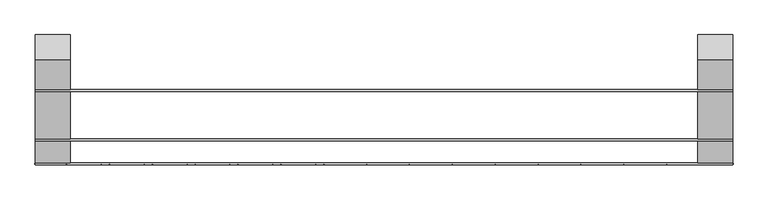
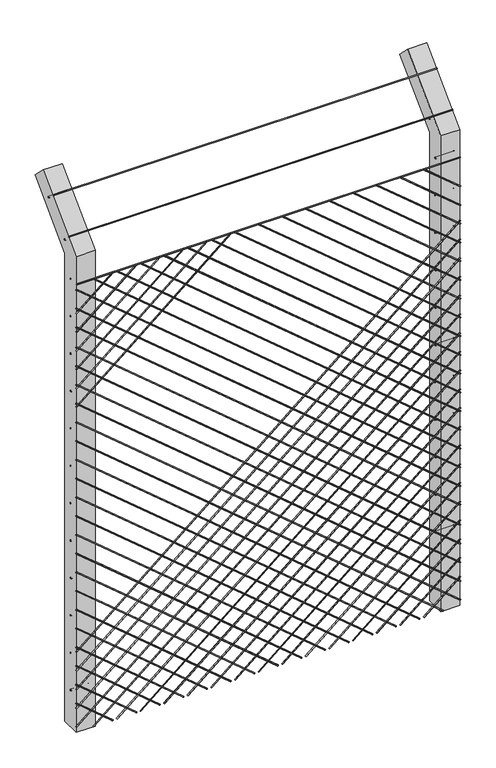
"""IFC4 building model written with IfcOpenShell, lengths in millimetres: proxy geometry."""

import ifcopenshell
import ifcopenshell.guid

model = None  # the IFC model being written
_history = None  # IfcOwnerHistory: only IFC2X3 demands one
_inside = {}  # id of a spatial element -> (the spatial element, [elements in it])
_under = {}  # id of a project, library or spatial element -> (it, [spatial elements below it])
_declared = {}  # id of a project -> (the project, [libraries it declares])
_typed = {}  # id of a type object -> (the type object, [elements of that type])
_made_of = {}  # id of a material, layer set ... -> (it, [elements and type objects made of it])


def new_model(schema):
    """Start an empty IFC model of exactly this schema.

    Asked for "IFC4X3", IfcOpenShell would pick the latest addendum, in which some entities
    have other attributes; the version numbers below select the first issue.
    IFC2X3 requires an IfcOwnerHistory on every rooted entity: one is made here for all.
    """
    global model, _history
    if schema == "IFC4X3":
        model = ifcopenshell.file(schema_version=(4, 3, 0, 0))
    else:
        model = ifcopenshell.file(schema=schema)
    _inside.clear()
    _under.clear()
    _declared.clear()
    _typed.clear()
    _made_of.clear()
    _history = None
    if model.schema == "IFC2X3":
        org = make("IfcOrganization", Name="unknown")
        user = make(
            "IfcPersonAndOrganization",
            ThePerson=make("IfcPerson", FamilyName="unknown"),
            TheOrganization=org,
        )
        app = make(
            "IfcApplication",
            ApplicationDeveloper=org,
            Version="unknown",
            ApplicationFullName="unknown",
            ApplicationIdentifier="unknown",
        )
        _history = make(
            "IfcOwnerHistory",
            OwningUser=user,
            OwningApplication=app,
            ChangeAction="ADDED",
            CreationDate=0,
        )
    return model


def make(cls, **values):
    """One entity of the class cls with the attributes given. An attribute that is None is left unset."""
    return model.create_entity(
        cls, **{name: value for name, value in values.items() if value is not None}
    )


def rooted(cls, **values):
    """An entity with a GlobalId (a new one), such as an element, a storey or a relation."""
    return make(cls, GlobalId=ifcopenshell.guid.new(), OwnerHistory=_history, **values)


def si_unit(unit_type, name, prefix=None):
    """IfcSIUnit, for example si_unit("LENGTHUNIT", "METRE", prefix="MILLI")."""
    return make("IfcSIUnit", UnitType=unit_type, Prefix=prefix, Name=name)


def assignment(units):
    """IfcUnitAssignment: the units of a project."""
    return None if units is None else make("IfcUnitAssignment", Units=units)


def point(xyz):
    """IfcCartesianPoint."""
    return None if xyz is None else make("IfcCartesianPoint", Coordinates=xyz)


def direction(xyz):
    """IfcDirection."""
    return None if xyz is None else make("IfcDirection", DirectionRatios=xyz)


def frame(location, z_axis=None, x_axis=None):
    """IfcAxis2Placement3D, a coordinate frame: its origin and axes. An axis left out is left unset."""
    return make(
        "IfcAxis2Placement3D",
        Location=point(location),
        Axis=direction(z_axis),
        RefDirection=direction(x_axis),
    )


def frame_2d(location, x_axis=None):
    """IfcAxis2Placement2D, a coordinate frame in the plane: its origin and x axis."""
    return make(
        "IfcAxis2Placement2D", Location=point(location), RefDirection=direction(x_axis)
    )


def origin():
    """The frame at (0, 0, 0) with its axes left unset."""
    return frame((0.0, 0.0, 0.0))


def origin_2d():
    """The frame at (0, 0) in the plane with its x axis left unset."""
    return frame_2d((0.0, 0.0))


def place(relative_to, where):
    """IfcLocalPlacement: puts the frame where relative to a parent placement (None: the world)."""
    return make(
        "IfcLocalPlacement", PlacementRelTo=relative_to, RelativePlacement=where
    )


def context(
    kind, dimensions, precision=None, world=None, true_north=None, identifier=None
):
    """IfcGeometricRepresentationContext, for example the 3D "Model" context."""
    return make(
        "IfcGeometricRepresentationContext",
        ContextIdentifier=identifier,
        ContextType=kind,
        CoordinateSpaceDimension=dimensions,
        Precision=precision,
        WorldCoordinateSystem=world,
        TrueNorth=true_north,
    )


def project(units=None, contexts=None):
    """IfcProject with its units and contexts."""
    return rooted(
        "IfcProject",
        Name="project",
        RepresentationContexts=contexts,
        UnitsInContext=assignment(units),
    )


def spatial(cls, under=None, at=None, **own):
    """A site, building, storey or space (cls), placed at a placement, below another one or the project."""
    s = rooted(cls, ObjectPlacement=at, **own)
    if under is not None:
        _under.setdefault(under.id(), (under, []))[1].append(s)
    return s


def polyline(points):
    """IfcPolyline through the points."""
    return make("IfcPolyline", Points=[point(p) for p in points])


def circle_curve(where, radius):
    """IfcCircle in the frame where."""
    return make("IfcCircle", Position=where, Radius=radius)


def trimmed(basis, trim1, trim2, sense, master):
    """IfcTrimmedCurve: the piece of a basis curve between two trims."""
    return make(
        "IfcTrimmedCurve",
        BasisCurve=basis,
        Trim1=trim1,
        Trim2=trim2,
        SenseAgreement=sense,
        MasterRepresentation=master,
    )


def segment(curve, same_sense, transition):
    """IfcCompositeCurveSegment."""
    return make(
        "IfcCompositeCurveSegment",
        Transition=transition,
        SameSense=same_sense,
        ParentCurve=curve,
    )


def composite_curve(segments, self_intersect=None):
    """IfcCompositeCurve: segments joined end to end."""
    return make("IfcCompositeCurve", Segments=segments, SelfIntersect=self_intersect)


def outline(outer, holes=None, kind="AREA"):
    """IfcArbitraryClosedProfileDef: a profile drawn as a closed curve; with holes, ...WithVoids."""
    if holes is None:
        return make("IfcArbitraryClosedProfileDef", ProfileType=kind, OuterCurve=outer)
    return make(
        "IfcArbitraryProfileDefWithVoids",
        ProfileType=kind,
        OuterCurve=outer,
        InnerCurves=holes,
    )


def extrude(swept, where, along, depth):
    """IfcExtrudedAreaSolid: the profile swept, set in the frame where, extruded along a direction by depth."""
    return make(
        "IfcExtrudedAreaSolid",
        SweptArea=swept,
        Position=where,
        ExtrudedDirection=direction(along),
        Depth=depth,
    )


def shape(context_of_items, identifier, shape_type, items):
    """IfcShapeRepresentation: the items that make up one representation, for example the "Body"."""
    return make(
        "IfcShapeRepresentation",
        ContextOfItems=context_of_items,
        RepresentationIdentifier=identifier,
        RepresentationType=shape_type,
        Items=items,
    )


def source(mapping_origin, context_of_items, identifier, shape_type, items):
    """IfcRepresentationMap: a shape defined once, which mapped items show again and again."""
    return make(
        "IfcRepresentationMap",
        MappingOrigin=mapping_origin,
        MappedRepresentation=shape(context_of_items, identifier, shape_type, items),
    )


def transform(
    local_origin,
    x_axis=None,
    y_axis=None,
    z_axis=None,
    scale=None,
    scale2=None,
    scale3=None,
    uniform=True,
):
    """IfcCartesianTransformationOperator3D, or its non-uniform kind. x_axis, y_axis, z_axis: its Axis1, 2, 3."""
    if uniform:
        return make(
            "IfcCartesianTransformationOperator3D",
            Axis1=direction(x_axis),
            Axis2=direction(y_axis),
            LocalOrigin=point(local_origin),
            Scale=scale,
            Axis3=direction(z_axis),
        )
    return make(
        "IfcCartesianTransformationOperator3DnonUniform",
        Axis1=direction(x_axis),
        Axis2=direction(y_axis),
        LocalOrigin=point(local_origin),
        Scale=scale,
        Axis3=direction(z_axis),
        Scale2=scale2,
        Scale3=scale3,
    )


def mapped(mapping_source, mapping_target):
    """IfcMappedItem: shows the shape of a source again, moved by a transform."""
    return make(
        "IfcMappedItem", MappingSource=mapping_source, MappingTarget=mapping_target
    )


def made_of(thing, what):
    """Note that an element or type object is made of a material, layer set ...; save() writes the relation."""
    if what is not None:
        _made_of.setdefault(what.id(), (what, []))[1].append(thing)
    return thing


def element(
    cls,
    number,
    at=None,
    inside=None,
    cuts=None,
    type_object=None,
    material=None,
    context=None,
    identifier="Body",
    shape_type=None,
    held_by="IfcProductDefinitionShape",
    body=None,
    shapes=None,
    **own,
):
    """One element of the class cls, such as IfcWall. Its Tag is "e" and its number.

    at: its placement. inside: the storey or other place that contains it. cuts: it is an
    opening in that element (IfcRelVoidsElement). A single representation is given by context,
    identifier, shape_type and body (its items); several are given by shapes. held_by: the class
    of the entity that holds the representations. save() writes the other relations.
    """
    e = rooted(cls, Tag="e%d" % number, ObjectPlacement=at, **own)
    if body is not None:
        shapes = [shape(context, identifier, shape_type, body)]
    if shapes is not None:
        e.Representation = make(held_by, Representations=shapes)
    if inside is not None:
        _inside.setdefault(inside.id(), (inside, []))[1].append(e)
    if cuts is not None:
        rooted(
            "IfcRelVoidsElement", RelatingBuildingElement=cuts, RelatedOpeningElement=e
        )
    if type_object is not None:
        _typed.setdefault(type_object.id(), (type_object, []))[1].append(e)
    return made_of(e, material)


def aggregate(whole, parts):
    """IfcRelAggregates: a whole, such as a stair, and the parts it consists of."""
    return rooted("IfcRelAggregates", RelatingObject=whole, RelatedObjects=parts)


def save(model, path):
    """Write the relations noted so far, then the file.

    IfcRelAggregates (storeys below a building ...), IfcRelContainedInSpatialStructure (elements
    in a storey), IfcRelDefinesByType, IfcRelAssociatesMaterial and IfcRelDeclares: one each for
    every whole, place, type object, material and project.
    """
    for whole, parts in _under.values():
        aggregate(whole, parts)
    for where, things in _inside.values():
        rooted(
            "IfcRelContainedInSpatialStructure",
            RelatedElements=things,
            RelatingStructure=where,
        )
    for kind, things in _typed.values():
        rooted("IfcRelDefinesByType", RelatedObjects=things, RelatingType=kind)
    for what, things in _made_of.values():
        rooted("IfcRelAssociatesMaterial", RelatedObjects=things, RelatingMaterial=what)
    for by, libraries in _declared.values():
        rooted("IfcRelDeclares", RelatingContext=by, RelatedDefinitions=libraries)
    model.write(path)


def generic_models_3b00390c(model_context):
    return source(origin(), model_context, "Body", "SweptSolid", [
        extrude(outline(polyline([(-50.0, 0.0), (-50.0, 2620.7106781), (247.4873734, 2918.1980515), (318.1980515, 2847.4873734), (50.0, 2579.2893219), (50.0, 0.0), (-50.0, 0.0)]), holes=[composite_curve([segment(trimmed(circle_curve(frame_2d((0.0, 203.0)), 3.0), [point((-3.0, 203.0))], [point((3.0, 203.0))], True, "CARTESIAN"), True, "CONTINUOUS"), segment(trimmed(circle_curve(frame_2d((0.0, 203.0)), 3.0), [point((3.0, 203.0))], [point((-3.0, 203.0))], True, "CARTESIAN"), True, "CONTINUOUS")], self_intersect=False), composite_curve([segment(trimmed(circle_curve(frame_2d((0.0, 409.0)), 3.0), [point((-3.0, 409.0))], [point((3.0, 409.0))], True, "CARTESIAN"), True, "CONTINUOUS"), segment(trimmed(circle_curve(frame_2d((0.0, 409.0)), 3.0), [point((3.0, 409.0))], [point((-3.0, 409.0))], True, "CARTESIAN"), True, "CONTINUOUS")], self_intersect=False), composite_curve([segment(trimmed(circle_curve(frame_2d((0.0, 615.0)), 3.0), [point((-3.0, 615.0))], [point((3.0, 615.0))], True, "CARTESIAN"), True, "CONTINUOUS"), segment(trimmed(circle_curve(frame_2d((0.0, 615.0)), 3.0), [point((3.0, 615.0))], [point((-3.0, 615.0))], True, "CARTESIAN"), True, "CONTINUOUS")], self_intersect=False), composite_curve([segment(trimmed(circle_curve(frame_2d((0.0, 821.0)), 3.0), [point((-3.0, 821.0))], [point((3.0, 821.0))], True, "CARTESIAN"), True, "CONTINUOUS"), segment(trimmed(circle_curve(frame_2d((0.0, 821.0)), 3.0), [point((3.0, 821.0))], [point((-3.0, 821.0))], True, "CARTESIAN"), True, "CONTINUOUS")], self_intersect=False), composite_curve([segment(trimmed(circle_curve(frame_2d((0.0, 1027.0)), 3.0), [point((-3.0, 1027.0))], [point((3.0, 1027.0))], True, "CARTESIAN"), True, "CONTINUOUS"), segment(trimmed(circle_curve(frame_2d((0.0, 1027.0)), 3.0), [point((3.0, 1027.0))], [point((-3.0, 1027.0))], True, "CARTESIAN"), True, "CONTINUOUS")], self_intersect=False), composite_curve([segment(trimmed(circle_curve(frame_2d((0.0, 1233.0)), 3.0), [point((-3.0, 1233.0))], [point((3.0, 1233.0))], True, "CARTESIAN"), True, "CONTINUOUS"), segment(trimmed(circle_curve(frame_2d((0.0, 1233.0)), 3.0), [point((3.0, 1233.0))], [point((-3.0, 1233.0))], True, "CARTESIAN"), True, "CONTINUOUS")], self_intersect=False), composite_curve([segment(trimmed(circle_curve(frame_2d((0.0, 1439.0)), 3.0), [point((-3.0, 1439.0))], [point((3.0, 1439.0))], True, "CARTESIAN"), True, "CONTINUOUS"), segment(trimmed(circle_curve(frame_2d((0.0, 1439.0)), 3.0), [point((3.0, 1439.0))], [point((-3.0, 1439.0))], True, "CARTESIAN"), True, "CONTINUOUS")], self_intersect=False), composite_curve([segment(trimmed(circle_curve(frame_2d((0.0, 1645.0)), 3.0), [point((-3.0, 1645.0))], [point((3.0, 1645.0))], True, "CARTESIAN"), True, "CONTINUOUS"), segment(trimmed(circle_curve(frame_2d((0.0, 1645.0)), 3.0), [point((3.0, 1645.0))], [point((-3.0, 1645.0))], True, "CARTESIAN"), True, "CONTINUOUS")], self_intersect=False), composite_curve([segment(trimmed(circle_curve(frame_2d((0.0, 1851.0)), 3.0), [point((-3.0, 1851.0))], [point((3.0, 1851.0))], True, "CARTESIAN"), True, "CONTINUOUS"), segment(trimmed(circle_curve(frame_2d((0.0, 1851.0)), 3.0), [point((3.0, 1851.0))], [point((-3.0, 1851.0))], True, "CARTESIAN"), True, "CONTINUOUS")], self_intersect=False), composite_curve([segment(trimmed(circle_curve(frame_2d((0.0, 2057.0)), 3.0), [point((-3.0, 2057.0))], [point((3.0, 2057.0))], True, "CARTESIAN"), True, "CONTINUOUS"), segment(trimmed(circle_curve(frame_2d((0.0, 2057.0)), 3.0), [point((3.0, 2057.0))], [point((-3.0, 2057.0))], True, "CARTESIAN"), True, "CONTINUOUS")], self_intersect=False), composite_curve([segment(trimmed(circle_curve(frame_2d((0.0, 2263.0)), 3.0), [point((-3.0, 2263.0))], [point((3.0, 2263.0))], True, "CARTESIAN"), True, "CONTINUOUS"), segment(trimmed(circle_curve(frame_2d((0.0, 2263.0)), 3.0), [point((3.0, 2263.0))], [point((-3.0, 2263.0))], True, "CARTESIAN"), True, "CONTINUOUS")], self_intersect=False), composite_curve([segment(trimmed(circle_curve(frame_2d((0.0, 2469.0)), 3.0), [point((-3.0, 2469.0))], [point((3.0, 2469.0))], True, "CARTESIAN"), True, "CONTINUOUS"), segment(trimmed(circle_curve(frame_2d((0.0, 2469.0)), 3.0), [point((3.0, 2469.0))], [point((-3.0, 2469.0))], True, "CARTESIAN"), True, "CONTINUOUS")], self_intersect=False), composite_curve([segment(trimmed(circle_curve(frame_2d((53.0330086, 2653.0330086)), 3.0), [point((50.0330086, 2653.0330086))], [point((56.0330086, 2653.0330086))], True, "CARTESIAN"), True, "CONTINUOUS"), segment(trimmed(circle_curve(frame_2d((53.0330086, 2653.0330086)), 3.0), [point((56.0330086, 2653.0330086))], [point((50.0330086, 2653.0330086))], True, "CARTESIAN"), True, "CONTINUOUS")], self_intersect=False), composite_curve([segment(trimmed(circle_curve(frame_2d((198.6970055, 2798.6970055)), 3.0), [point((195.6970055, 2798.6970055))], [point((201.6970055, 2798.6970055))], True, "CARTESIAN"), True, "CONTINUOUS"), segment(trimmed(circle_curve(frame_2d((198.6970055, 2798.6970055)), 3.0), [point((201.6970055, 2798.6970055))], [point((195.6970055, 2798.6970055))], True, "CARTESIAN"), True, "CONTINUOUS")], self_intersect=False)]), frame((900.0, 0.0, 0.0), z_axis=(1.0, 0.0, 0.0), x_axis=(0.0, 1.0, 0.0)), (0.0, 0.0, 1.0), 100.0),
        extrude(outline(polyline([(-50.0, 0.0), (-50.0, 2620.7106781), (247.4873734, 2918.1980515), (318.1980515, 2847.4873734), (50.0, 2579.2893219), (50.0, 0.0), (-50.0, 0.0)]), holes=[composite_curve([segment(trimmed(circle_curve(frame_2d((0.0, 203.0)), 3.0), [point((-3.0, 203.0))], [point((3.0, 203.0))], True, "CARTESIAN"), True, "CONTINUOUS"), segment(trimmed(circle_curve(frame_2d((0.0, 203.0)), 3.0), [point((3.0, 203.0))], [point((-3.0, 203.0))], True, "CARTESIAN"), True, "CONTINUOUS")], self_intersect=False), composite_curve([segment(trimmed(circle_curve(frame_2d((0.0, 409.0)), 3.0), [point((-3.0, 409.0))], [point((3.0, 409.0))], True, "CARTESIAN"), True, "CONTINUOUS"), segment(trimmed(circle_curve(frame_2d((0.0, 409.0)), 3.0), [point((3.0, 409.0))], [point((-3.0, 409.0))], True, "CARTESIAN"), True, "CONTINUOUS")], self_intersect=False), composite_curve([segment(trimmed(circle_curve(frame_2d((0.0, 615.0)), 3.0), [point((-3.0, 615.0))], [point((3.0, 615.0))], True, "CARTESIAN"), True, "CONTINUOUS"), segment(trimmed(circle_curve(frame_2d((0.0, 615.0)), 3.0), [point((3.0, 615.0))], [point((-3.0, 615.0))], True, "CARTESIAN"), True, "CONTINUOUS")], self_intersect=False), composite_curve([segment(trimmed(circle_curve(frame_2d((0.0, 821.0)), 3.0), [point((-3.0, 821.0))], [point((3.0, 821.0))], True, "CARTESIAN"), True, "CONTINUOUS"), segment(trimmed(circle_curve(frame_2d((0.0, 821.0)), 3.0), [point((3.0, 821.0))], [point((-3.0, 821.0))], True, "CARTESIAN"), True, "CONTINUOUS")], self_intersect=False), composite_curve([segment(trimmed(circle_curve(frame_2d((0.0, 1027.0)), 3.0), [point((-3.0, 1027.0))], [point((3.0, 1027.0))], True, "CARTESIAN"), True, "CONTINUOUS"), segment(trimmed(circle_curve(frame_2d((0.0, 1027.0)), 3.0), [point((3.0, 1027.0))], [point((-3.0, 1027.0))], True, "CARTESIAN"), True, "CONTINUOUS")], self_intersect=False), composite_curve([segment(trimmed(circle_curve(frame_2d((0.0, 1233.0)), 3.0), [point((-3.0, 1233.0))], [point((3.0, 1233.0))], True, "CARTESIAN"), True, "CONTINUOUS"), segment(trimmed(circle_curve(frame_2d((0.0, 1233.0)), 3.0), [point((3.0, 1233.0))], [point((-3.0, 1233.0))], True, "CARTESIAN"), True, "CONTINUOUS")], self_intersect=False), composite_curve([segment(trimmed(circle_curve(frame_2d((0.0, 1439.0)), 3.0), [point((-3.0, 1439.0))], [point((3.0, 1439.0))], True, "CARTESIAN"), True, "CONTINUOUS"), segment(trimmed(circle_curve(frame_2d((0.0, 1439.0)), 3.0), [point((3.0, 1439.0))], [point((-3.0, 1439.0))], True, "CARTESIAN"), True, "CONTINUOUS")], self_intersect=False), composite_curve([segment(trimmed(circle_curve(frame_2d((0.0, 1645.0)), 3.0), [point((-3.0, 1645.0))], [point((3.0, 1645.0))], True, "CARTESIAN"), True, "CONTINUOUS"), segment(trimmed(circle_curve(frame_2d((0.0, 1645.0)), 3.0), [point((3.0, 1645.0))], [point((-3.0, 1645.0))], True, "CARTESIAN"), True, "CONTINUOUS")], self_intersect=False), composite_curve([segment(trimmed(circle_curve(frame_2d((0.0, 1851.0)), 3.0), [point((-3.0, 1851.0))], [point((3.0, 1851.0))], True, "CARTESIAN"), True, "CONTINUOUS"), segment(trimmed(circle_curve(frame_2d((0.0, 1851.0)), 3.0), [point((3.0, 1851.0))], [point((-3.0, 1851.0))], True, "CARTESIAN"), True, "CONTINUOUS")], self_intersect=False), composite_curve([segment(trimmed(circle_curve(frame_2d((0.0, 2057.0)), 3.0), [point((-3.0, 2057.0))], [point((3.0, 2057.0))], True, "CARTESIAN"), True, "CONTINUOUS"), segment(trimmed(circle_curve(frame_2d((0.0, 2057.0)), 3.0), [point((3.0, 2057.0))], [point((-3.0, 2057.0))], True, "CARTESIAN"), True, "CONTINUOUS")], self_intersect=False), composite_curve([segment(trimmed(circle_curve(frame_2d((0.0, 2263.0)), 3.0), [point((-3.0, 2263.0))], [point((3.0, 2263.0))], True, "CARTESIAN"), True, "CONTINUOUS"), segment(trimmed(circle_curve(frame_2d((0.0, 2263.0)), 3.0), [point((3.0, 2263.0))], [point((-3.0, 2263.0))], True, "CARTESIAN"), True, "CONTINUOUS")], self_intersect=False), composite_curve([segment(trimmed(circle_curve(frame_2d((0.0, 2469.0)), 3.0), [point((-3.0, 2469.0))], [point((3.0, 2469.0))], True, "CARTESIAN"), True, "CONTINUOUS"), segment(trimmed(circle_curve(frame_2d((0.0, 2469.0)), 3.0), [point((3.0, 2469.0))], [point((-3.0, 2469.0))], True, "CARTESIAN"), True, "CONTINUOUS")], self_intersect=False), composite_curve([segment(trimmed(circle_curve(frame_2d((53.0330086, 2653.0330086)), 3.0), [point((50.0330086, 2653.0330086))], [point((56.0330086, 2653.0330086))], True, "CARTESIAN"), True, "CONTINUOUS"), segment(trimmed(circle_curve(frame_2d((53.0330086, 2653.0330086)), 3.0), [point((56.0330086, 2653.0330086))], [point((50.0330086, 2653.0330086))], True, "CARTESIAN"), True, "CONTINUOUS")], self_intersect=False), composite_curve([segment(trimmed(circle_curve(frame_2d((198.6970055, 2798.6970055)), 3.0), [point((195.6970055, 2798.6970055))], [point((201.6970055, 2798.6970055))], True, "CARTESIAN"), True, "CONTINUOUS"), segment(trimmed(circle_curve(frame_2d((198.6970055, 2798.6970055)), 3.0), [point((201.6970055, 2798.6970055))], [point((195.6970055, 2798.6970055))], True, "CARTESIAN"), True, "CONTINUOUS")], self_intersect=False)]), frame((-1000.0, 0.0, 0.0), z_axis=(1.0, 0.0, 0.0), x_axis=(0.0, 1.0, 0.0)), (0.0, 0.0, 1.0), 100.0),
        extrude(outline(composite_curve([segment(trimmed(circle_curve(frame_2d((157.7465688, 2831.8580153)), 2.5), [point((160.2465688, 2831.8580153))], [point((155.2465688, 2831.8580153))], False, "CARTESIAN"), True, "CONTINUOUS"), segment(trimmed(circle_curve(frame_2d((157.7465688, 2831.8580153)), 2.5), [point((155.2465688, 2831.8580153))], [point((160.2465688, 2831.8580153))], False, "CARTESIAN"), True, "CONTINUOUS")], self_intersect=False)), frame((-1000.0, 0.0, 0.0), z_axis=(1.0, 0.0, 0.0), x_axis=(0.0, 1.0, 0.0)), (0.0, 0.0, 1.0), 2000.0),
        extrude(outline(composite_curve([segment(trimmed(circle_curve(frame_2d((15.9126048, 2690.1534123)), 2.5), [point((18.4126048, 2690.1534123))], [point((13.4126048, 2690.1534123))], False, "CARTESIAN"), True, "CONTINUOUS"), segment(trimmed(circle_curve(frame_2d((15.9126048, 2690.1534123)), 2.5), [point((13.4126048, 2690.1534123))], [point((18.4126048, 2690.1534123))], False, "CARTESIAN"), True, "CONTINUOUS")], self_intersect=False)), frame((-1000.0, 0.0, 0.0), z_axis=(1.0, 0.0, 0.0), x_axis=(0.0, 1.0, 0.0)), (0.0, 0.0, 1.0), 2000.0),
        extrude(outline(composite_curve([segment(trimmed(circle_curve(frame_2d((-52.5, 2469.0)), 2.5), [point((-50.0, 2469.0))], [point((-55.0, 2469.0))], False, "CARTESIAN"), True, "CONTINUOUS"), segment(trimmed(circle_curve(frame_2d((-52.5, 2469.0)), 2.5), [point((-55.0, 2469.0))], [point((-50.0, 2469.0))], False, "CARTESIAN"), True, "CONTINUOUS")], self_intersect=False)), frame((-1000.0, 0.0, 0.0), z_axis=(1.0, 0.0, 0.0), x_axis=(0.0, 1.0, 0.0)), (0.0, 0.0, 1.0), 2000.0),
        extrude(outline(composite_curve([segment(trimmed(circle_curve(origin_2d(), 2.5), [point((2.5, 0.0))], [point((-2.5, 0.0))], False, "CARTESIAN"), True, "CONTINUOUS"), segment(trimmed(circle_curve(origin_2d(), 2.5), [point((-2.5, 0.0))], [point((2.5, 0.0))], False, "CARTESIAN"), True, "CONTINUOUS")], self_intersect=False)), frame((-810.5977985, -52.5, 2.5679403), z_axis=(-0.7660444431189724, 0.0, 0.6427876096865462), x_axis=(0.0, 1.0, 0.0)), (0.0, 0.0, 1.0), 247.2470145),
        extrude(outline(composite_curve([segment(trimmed(circle_curve(origin_2d(), 2.5), [point((2.5, 0.0))], [point((-2.5, 0.0))], False, "CARTESIAN"), True, "CONTINUOUS"), segment(trimmed(circle_curve(origin_2d(), 2.5), [point((-2.5, 0.0))], [point((2.5, 0.0))], False, "CARTESIAN"), True, "CONTINUOUS")], self_intersect=False)), frame((-687.5889829, -52.5, 2.5679403), z_axis=(-0.7660444431189724, 0.0, 0.6427876096865462), x_axis=(0.0, 1.0, 0.0)), (0.0, 0.0, 1.0), 407.8236189),
        extrude(outline(composite_curve([segment(trimmed(circle_curve(origin_2d(), 2.5), [point((2.5, 0.0))], [point((-2.5, 0.0))], False, "CARTESIAN"), True, "CONTINUOUS"), segment(trimmed(circle_curve(origin_2d(), 2.5), [point((-2.5, 0.0))], [point((2.5, 0.0))], False, "CARTESIAN"), True, "CONTINUOUS")], self_intersect=False)), frame((-564.5801674, -52.5, 2.5679403), z_axis=(-0.7660444431189724, 0.0, 0.6427876096865462), x_axis=(0.0, 1.0, 0.0)), (0.0, 0.0, 1.0), 568.4002234),
        extrude(outline(composite_curve([segment(trimmed(circle_curve(origin_2d(), 2.5), [point((2.5, 0.0))], [point((-2.5, 0.0))], False, "CARTESIAN"), True, "CONTINUOUS"), segment(trimmed(circle_curve(origin_2d(), 2.5), [point((-2.5, 0.0))], [point((2.5, 0.0))], False, "CARTESIAN"), True, "CONTINUOUS")], self_intersect=False)), frame((-441.5713519, -52.5, 2.5679403), z_axis=(-0.7660444431189724, 0.0, 0.6427876096865462), x_axis=(0.0, 1.0, 0.0)), (0.0, 0.0, 1.0), 728.9768278),
        extrude(outline(composite_curve([segment(trimmed(circle_curve(origin_2d(), 2.5), [point((2.5, 0.0))], [point((-2.5, 0.0))], False, "CARTESIAN"), True, "CONTINUOUS"), segment(trimmed(circle_curve(origin_2d(), 2.5), [point((-2.5, 0.0))], [point((2.5, 0.0))], False, "CARTESIAN"), True, "CONTINUOUS")], self_intersect=False)), frame((-318.5625364, -52.5, 2.5679403), z_axis=(-0.7660444431189724, 0.0, 0.6427876096865462), x_axis=(0.0, 1.0, 0.0)), (0.0, 0.0, 1.0), 889.5534322),
        extrude(outline(composite_curve([segment(trimmed(circle_curve(origin_2d(), 2.5), [point((2.5, 0.0))], [point((-2.5, 0.0))], False, "CARTESIAN"), True, "CONTINUOUS"), segment(trimmed(circle_curve(origin_2d(), 2.5), [point((-2.5, 0.0))], [point((2.5, 0.0))], False, "CARTESIAN"), True, "CONTINUOUS")], self_intersect=False)), frame((-195.5537209, -52.5, 2.5679403), z_axis=(-0.7660444431189724, 0.0, 0.6427876096865462), x_axis=(0.0, 1.0, 0.0)), (0.0, 0.0, 1.0), 1050.1300366),
        extrude(outline(composite_curve([segment(trimmed(circle_curve(origin_2d(), 2.5), [point((2.5, 0.0))], [point((-2.5, 0.0))], False, "CARTESIAN"), True, "CONTINUOUS"), segment(trimmed(circle_curve(origin_2d(), 2.5), [point((-2.5, 0.0))], [point((2.5, 0.0))], False, "CARTESIAN"), True, "CONTINUOUS")], self_intersect=False)), frame((-72.5449054, -52.5, 2.5679403), z_axis=(-0.7660444431189724, 0.0, 0.6427876096865462), x_axis=(0.0, 1.0, 0.0)), (0.0, 0.0, 1.0), 1210.7066411),
        extrude(outline(composite_curve([segment(trimmed(circle_curve(origin_2d(), 2.5), [point((2.5, 0.0))], [point((-2.5, 0.0))], False, "CARTESIAN"), True, "CONTINUOUS"), segment(trimmed(circle_curve(origin_2d(), 2.5), [point((-2.5, 0.0))], [point((2.5, 0.0))], False, "CARTESIAN"), True, "CONTINUOUS")], self_intersect=False)), frame((50.4639102, -52.5, 2.5679403), z_axis=(-0.7660444431189724, 0.0, 0.6427876096865462), x_axis=(0.0, 1.0, 0.0)), (0.0, 0.0, 1.0), 1371.2832455),
        extrude(outline(composite_curve([segment(trimmed(circle_curve(origin_2d(), 2.5), [point((2.5, 0.0))], [point((-2.5, 0.0))], False, "CARTESIAN"), True, "CONTINUOUS"), segment(trimmed(circle_curve(origin_2d(), 2.5), [point((-2.5, 0.0))], [point((2.5, 0.0))], False, "CARTESIAN"), True, "CONTINUOUS")], self_intersect=False)), frame((173.4727257, -52.5, 2.5679403), z_axis=(-0.7660444431189724, 0.0, 0.6427876096865462), x_axis=(0.0, 1.0, 0.0)), (0.0, 0.0, 1.0), 1531.8598499),
        extrude(outline(composite_curve([segment(trimmed(circle_curve(origin_2d(), 2.5), [point((2.5, 0.0))], [point((-2.5, 0.0))], False, "CARTESIAN"), True, "CONTINUOUS"), segment(trimmed(circle_curve(origin_2d(), 2.5), [point((-2.5, 0.0))], [point((2.5, 0.0))], False, "CARTESIAN"), True, "CONTINUOUS")], self_intersect=False)), frame((296.4815412, -52.5, 2.5679403), z_axis=(-0.7660444431189724, 0.0, 0.6427876096865462), x_axis=(0.0, 1.0, 0.0)), (0.0, 0.0, 1.0), 1692.4364543),
        extrude(outline(composite_curve([segment(trimmed(circle_curve(origin_2d(), 2.5), [point((2.5, 0.0))], [point((-2.5, 0.0))], False, "CARTESIAN"), True, "CONTINUOUS"), segment(trimmed(circle_curve(origin_2d(), 2.5), [point((-2.5, 0.0))], [point((2.5, 0.0))], False, "CARTESIAN"), True, "CONTINUOUS")], self_intersect=False)), frame((419.4903567, -52.5, 2.5679403), z_axis=(-0.7660444431189724, 0.0, 0.6427876096865462), x_axis=(0.0, 1.0, 0.0)), (0.0, 0.0, 1.0), 1853.0130588),
        extrude(outline(composite_curve([segment(trimmed(circle_curve(origin_2d(), 2.5), [point((2.5, 0.0))], [point((-2.5, 0.0))], False, "CARTESIAN"), True, "CONTINUOUS"), segment(trimmed(circle_curve(origin_2d(), 2.5), [point((-2.5, 0.0))], [point((2.5, 0.0))], False, "CARTESIAN"), True, "CONTINUOUS")], self_intersect=False)), frame((542.4991722, -52.5, 2.5679403), z_axis=(-0.7660444431189724, 0.0, 0.6427876096865462), x_axis=(0.0, 1.0, 0.0)), (0.0, 0.0, 1.0), 2013.5896632),
        extrude(outline(composite_curve([segment(trimmed(circle_curve(origin_2d(), 2.5), [point((2.5, 0.0))], [point((-2.5, 0.0))], False, "CARTESIAN"), True, "CONTINUOUS"), segment(trimmed(circle_curve(origin_2d(), 2.5), [point((-2.5, 0.0))], [point((2.5, 0.0))], False, "CARTESIAN"), True, "CONTINUOUS")], self_intersect=False)), frame((665.5079877, -52.5, 2.5679403), z_axis=(-0.7660444431189724, 0.0, 0.6427876096865462), x_axis=(0.0, 1.0, 0.0)), (0.0, 0.0, 1.0), 2174.1662676),
        extrude(outline(composite_curve([segment(trimmed(circle_curve(origin_2d(), 2.5), [point((2.5, 0.0))], [point((-2.5, 0.0))], False, "CARTESIAN"), True, "CONTINUOUS"), segment(trimmed(circle_curve(origin_2d(), 2.5), [point((-2.5, 0.0))], [point((2.5, 0.0))], False, "CARTESIAN"), True, "CONTINUOUS")], self_intersect=False)), frame((788.5168032, -52.5, 2.5679403), z_axis=(-0.7660444431189724, 0.0, 0.6427876096865462), x_axis=(0.0, 1.0, 0.0)), (0.0, 0.0, 1.0), 2334.742872),
        extrude(outline(composite_curve([segment(trimmed(circle_curve(origin_2d(), 2.5), [point((2.5, 0.0))], [point((-2.5, 0.0))], False, "CARTESIAN"), True, "CONTINUOUS"), segment(trimmed(circle_curve(origin_2d(), 2.5), [point((-2.5, 0.0))], [point((2.5, 0.0))], False, "CARTESIAN"), True, "CONTINUOUS")], self_intersect=False)), frame((911.5256188, -52.5, 2.5679403), z_axis=(-0.7660444431189724, 0.0, 0.6427876096865462), x_axis=(0.0, 1.0, 0.0)), (0.0, 0.0, 1.0), 2495.3194765),
        extrude(outline(composite_curve([segment(trimmed(circle_curve(origin_2d(), 2.5), [point((2.5, 0.0))], [point((-2.5, 0.0))], False, "CARTESIAN"), True, "CONTINUOUS"), segment(trimmed(circle_curve(origin_2d(), 2.5), [point((-2.5, 0.0))], [point((2.5, 0.0))], False, "CARTESIAN"), True, "CONTINUOUS")], self_intersect=False)), frame((1000.0, -52.5, 31.5457714), z_axis=(-0.7660444431189724, 0.0, 0.6427876096865462), x_axis=(0.0, 1.0, 0.0)), (0.0, 0.0, 1.0), 2610.8145787),
        extrude(outline(composite_curve([segment(trimmed(circle_curve(origin_2d(), 2.5), [point((2.5, 0.0))], [point((-2.5, 0.0))], False, "CARTESIAN"), True, "CONTINUOUS"), segment(trimmed(circle_curve(origin_2d(), 2.5), [point((-2.5, 0.0))], [point((2.5, 0.0))], False, "CARTESIAN"), True, "CONTINUOUS")], self_intersect=False)), frame((1000.0, -52.5, 134.7624231), z_axis=(-0.7660444431189724, 0.0, 0.6427876096865462), x_axis=(0.0, 1.0, 0.0)), (0.0, 0.0, 1.0), 2610.8145787),
        extrude(outline(composite_curve([segment(trimmed(circle_curve(origin_2d(), 2.5), [point((2.5, 0.0))], [point((-2.5, 0.0))], False, "CARTESIAN"), True, "CONTINUOUS"), segment(trimmed(circle_curve(origin_2d(), 2.5), [point((-2.5, 0.0))], [point((2.5, 0.0))], False, "CARTESIAN"), True, "CONTINUOUS")], self_intersect=False)), frame((1000.0, -52.5, 237.9790749), z_axis=(-0.7660444431189724, 0.0, 0.6427876096865462), x_axis=(0.0, 1.0, 0.0)), (0.0, 0.0, 1.0), 2610.8145787),
        extrude(outline(composite_curve([segment(trimmed(circle_curve(origin_2d(), 2.5), [point((2.5, 0.0))], [point((-2.5, 0.0))], False, "CARTESIAN"), True, "CONTINUOUS"), segment(trimmed(circle_curve(origin_2d(), 2.5), [point((-2.5, 0.0))], [point((2.5, 0.0))], False, "CARTESIAN"), True, "CONTINUOUS")], self_intersect=False)), frame((1000.0, -52.5, 341.1957266), z_axis=(-0.7660444431189724, 0.0, 0.6427876096865462), x_axis=(0.0, 1.0, 0.0)), (0.0, 0.0, 1.0), 2610.8145787),
        extrude(outline(composite_curve([segment(trimmed(circle_curve(origin_2d(), 2.5), [point((2.5, 0.0))], [point((-2.5, 0.0))], False, "CARTESIAN"), True, "CONTINUOUS"), segment(trimmed(circle_curve(origin_2d(), 2.5), [point((-2.5, 0.0))], [point((2.5, 0.0))], False, "CARTESIAN"), True, "CONTINUOUS")], self_intersect=False)), frame((1000.0, -52.5, 444.4123783), z_axis=(-0.7660444431189724, 0.0, 0.6427876096865462), x_axis=(0.0, 1.0, 0.0)), (0.0, 0.0, 1.0), 2610.8145787),
        extrude(outline(composite_curve([segment(trimmed(circle_curve(origin_2d(), 2.5), [point((2.5, 0.0))], [point((-2.5, 0.0))], False, "CARTESIAN"), True, "CONTINUOUS"), segment(trimmed(circle_curve(origin_2d(), 2.5), [point((-2.5, 0.0))], [point((2.5, 0.0))], False, "CARTESIAN"), True, "CONTINUOUS")], self_intersect=False)), frame((1000.0, -52.5, 2309.6406229), z_axis=(-0.7660444431189722, 0.0, 0.6427876096865464), x_axis=(0.0, 1.0, 0.0)), (0.0, 0.0, 1.0), 247.2470145),
        extrude(outline(composite_curve([segment(trimmed(circle_curve(origin_2d(), 2.5), [point((2.5, 0.0))], [point((-2.5, 0.0))], False, "CARTESIAN"), True, "CONTINUOUS"), segment(trimmed(circle_curve(origin_2d(), 2.5), [point((-2.5, 0.0))], [point((2.5, 0.0))], False, "CARTESIAN"), True, "CONTINUOUS")], self_intersect=False)), frame((1000.0, -52.5, 2206.4239712), z_axis=(-0.7660444431189722, 0.0, 0.6427876096865464), x_axis=(0.0, 1.0, 0.0)), (0.0, 0.0, 1.0), 407.8236189),
        extrude(outline(composite_curve([segment(trimmed(circle_curve(origin_2d(), 2.5), [point((2.5, 0.0))], [point((-2.5, 0.0))], False, "CARTESIAN"), True, "CONTINUOUS"), segment(trimmed(circle_curve(origin_2d(), 2.5), [point((-2.5, 0.0))], [point((2.5, 0.0))], False, "CARTESIAN"), True, "CONTINUOUS")], self_intersect=False)), frame((1000.0, -52.5, 2103.2073194), z_axis=(-0.7660444431189722, 0.0, 0.6427876096865464), x_axis=(0.0, 1.0, 0.0)), (0.0, 0.0, 1.0), 568.4002234),
        extrude(outline(composite_curve([segment(trimmed(circle_curve(origin_2d(), 2.5), [point((2.5, 0.0))], [point((-2.5, 0.0))], False, "CARTESIAN"), True, "CONTINUOUS"), segment(trimmed(circle_curve(origin_2d(), 2.5), [point((-2.5, 0.0))], [point((2.5, 0.0))], False, "CARTESIAN"), True, "CONTINUOUS")], self_intersect=False)), frame((1000.0, -52.5, 1999.9906677), z_axis=(-0.7660444431189722, 0.0, 0.6427876096865464), x_axis=(0.0, 1.0, 0.0)), (0.0, 0.0, 1.0), 728.9768278),
        extrude(outline(composite_curve([segment(trimmed(circle_curve(origin_2d(), 2.5), [point((2.5, 0.0))], [point((-2.5, 0.0))], False, "CARTESIAN"), True, "CONTINUOUS"), segment(trimmed(circle_curve(origin_2d(), 2.5), [point((-2.5, 0.0))], [point((2.5, 0.0))], False, "CARTESIAN"), True, "CONTINUOUS")], self_intersect=False)), frame((1000.0, -52.5, 1896.774016), z_axis=(-0.7660444431189722, 0.0, 0.6427876096865464), x_axis=(0.0, 1.0, 0.0)), (0.0, 0.0, 1.0), 889.5534322),
        extrude(outline(composite_curve([segment(trimmed(circle_curve(origin_2d(), 2.5), [point((2.5, 0.0))], [point((-2.5, 0.0))], False, "CARTESIAN"), True, "CONTINUOUS"), segment(trimmed(circle_curve(origin_2d(), 2.5), [point((-2.5, 0.0))], [point((2.5, 0.0))], False, "CARTESIAN"), True, "CONTINUOUS")], self_intersect=False)), frame((1000.0, -52.5, 1793.5573642), z_axis=(-0.7660444431189722, 0.0, 0.6427876096865464), x_axis=(0.0, 1.0, 0.0)), (0.0, 0.0, 1.0), 1050.1300366),
        extrude(outline(composite_curve([segment(trimmed(circle_curve(origin_2d(), 2.5), [point((2.5, 0.0))], [point((-2.5, 0.0))], False, "CARTESIAN"), True, "CONTINUOUS"), segment(trimmed(circle_curve(origin_2d(), 2.5), [point((-2.5, 0.0))], [point((2.5, 0.0))], False, "CARTESIAN"), True, "CONTINUOUS")], self_intersect=False)), frame((1000.0, -52.5, 1690.3407125), z_axis=(-0.7660444431189722, 0.0, 0.6427876096865464), x_axis=(0.0, 1.0, 0.0)), (0.0, 0.0, 1.0), 1210.7066411),
        extrude(outline(composite_curve([segment(trimmed(circle_curve(origin_2d(), 2.5), [point((2.5, 0.0))], [point((-2.5, 0.0))], False, "CARTESIAN"), True, "CONTINUOUS"), segment(trimmed(circle_curve(origin_2d(), 2.5), [point((-2.5, 0.0))], [point((2.5, 0.0))], False, "CARTESIAN"), True, "CONTINUOUS")], self_intersect=False)), frame((1000.0, -52.5, 1587.1240608), z_axis=(-0.7660444431189722, 0.0, 0.6427876096865464), x_axis=(0.0, 1.0, 0.0)), (0.0, 0.0, 1.0), 1371.2832455),
        extrude(outline(composite_curve([segment(trimmed(circle_curve(origin_2d(), 2.5), [point((2.5, 0.0))], [point((-2.5, 0.0))], False, "CARTESIAN"), True, "CONTINUOUS"), segment(trimmed(circle_curve(origin_2d(), 2.5), [point((-2.5, 0.0))], [point((2.5, 0.0))], False, "CARTESIAN"), True, "CONTINUOUS")], self_intersect=False)), frame((1000.0, -52.5, 1483.907409), z_axis=(-0.7660444431189722, 0.0, 0.6427876096865464), x_axis=(0.0, 1.0, 0.0)), (0.0, 0.0, 1.0), 1531.8598499),
        extrude(outline(composite_curve([segment(trimmed(circle_curve(origin_2d(), 2.5), [point((2.5, 0.0))], [point((-2.5, 0.0))], False, "CARTESIAN"), True, "CONTINUOUS"), segment(trimmed(circle_curve(origin_2d(), 2.5), [point((-2.5, 0.0))], [point((2.5, 0.0))], False, "CARTESIAN"), True, "CONTINUOUS")], self_intersect=False)), frame((1000.0, -52.5, 1380.6907573), z_axis=(-0.7660444431189722, 0.0, 0.6427876096865464), x_axis=(0.0, 1.0, 0.0)), (0.0, 0.0, 1.0), 1692.4364543),
        extrude(outline(composite_curve([segment(trimmed(circle_curve(origin_2d(), 2.5), [point((2.5, 0.0))], [point((-2.5, 0.0))], False, "CARTESIAN"), True, "CONTINUOUS"), segment(trimmed(circle_curve(origin_2d(), 2.5), [point((-2.5, 0.0))], [point((2.5, 0.0))], False, "CARTESIAN"), True, "CONTINUOUS")], self_intersect=False)), frame((1000.0, -52.5, 1277.4741056), z_axis=(-0.7660444431189722, 0.0, 0.6427876096865464), x_axis=(0.0, 1.0, 0.0)), (0.0, 0.0, 1.0), 1853.0130588),
        extrude(outline(composite_curve([segment(trimmed(circle_curve(origin_2d(), 2.5), [point((2.5, 0.0))], [point((-2.5, 0.0))], False, "CARTESIAN"), True, "CONTINUOUS"), segment(trimmed(circle_curve(origin_2d(), 2.5), [point((-2.5, 0.0))], [point((2.5, 0.0))], False, "CARTESIAN"), True, "CONTINUOUS")], self_intersect=False)), frame((1000.0, -52.5, 1174.2574539), z_axis=(-0.7660444431189722, 0.0, 0.6427876096865464), x_axis=(0.0, 1.0, 0.0)), (0.0, 0.0, 1.0), 2013.5896632),
        extrude(outline(composite_curve([segment(trimmed(circle_curve(origin_2d(), 2.5), [point((2.5, 0.0))], [point((-2.5, 0.0))], False, "CARTESIAN"), True, "CONTINUOUS"), segment(trimmed(circle_curve(origin_2d(), 2.5), [point((-2.5, 0.0))], [point((2.5, 0.0))], False, "CARTESIAN"), True, "CONTINUOUS")], self_intersect=False)), frame((1000.0, -52.5, 1071.0408021), z_axis=(-0.7660444431189722, 0.0, 0.6427876096865464), x_axis=(0.0, 1.0, 0.0)), (0.0, 0.0, 1.0), 2174.1662676),
        extrude(outline(composite_curve([segment(trimmed(circle_curve(origin_2d(), 2.5), [point((2.5, 0.0))], [point((-2.5, 0.0))], False, "CARTESIAN"), True, "CONTINUOUS"), segment(trimmed(circle_curve(origin_2d(), 2.5), [point((-2.5, 0.0))], [point((2.5, 0.0))], False, "CARTESIAN"), True, "CONTINUOUS")], self_intersect=False)), frame((1000.0, -52.5, 967.8241504), z_axis=(-0.7660444431189722, 0.0, 0.6427876096865464), x_axis=(0.0, 1.0, 0.0)), (0.0, 0.0, 1.0), 2334.742872),
        extrude(outline(composite_curve([segment(trimmed(circle_curve(origin_2d(), 2.5), [point((2.5, 0.0))], [point((-2.5, 0.0))], False, "CARTESIAN"), True, "CONTINUOUS"), segment(trimmed(circle_curve(origin_2d(), 2.5), [point((-2.5, 0.0))], [point((2.5, 0.0))], False, "CARTESIAN"), True, "CONTINUOUS")], self_intersect=False)), frame((1000.0, -52.5, 864.6074987), z_axis=(-0.7660444431189722, 0.0, 0.6427876096865464), x_axis=(0.0, 1.0, 0.0)), (0.0, 0.0, 1.0), 2495.3194765),
        extrude(outline(composite_curve([segment(trimmed(circle_curve(origin_2d(), 2.5), [point((2.5, 0.0))], [point((-2.5, 0.0))], False, "CARTESIAN"), True, "CONTINUOUS"), segment(trimmed(circle_curve(origin_2d(), 2.5), [point((-2.5, 0.0))], [point((2.5, 0.0))], False, "CARTESIAN"), True, "CONTINUOUS")], self_intersect=False)), frame((1000.0, -52.5, 761.3908469), z_axis=(-0.7660444431189722, 0.0, 0.6427876096865464), x_axis=(0.0, 1.0, 0.0)), (0.0, 0.0, 1.0), 2610.8145787),
        extrude(outline(composite_curve([segment(trimmed(circle_curve(origin_2d(), 2.5), [point((2.5, 0.0))], [point((-2.5, 0.0))], False, "CARTESIAN"), True, "CONTINUOUS"), segment(trimmed(circle_curve(origin_2d(), 2.5), [point((-2.5, 0.0))], [point((2.5, 0.0))], False, "CARTESIAN"), True, "CONTINUOUS")], self_intersect=False)), frame((1000.0, -52.5, 658.1741952), z_axis=(-0.7660444431189722, 0.0, 0.6427876096865464), x_axis=(0.0, 1.0, 0.0)), (0.0, 0.0, 1.0), 2610.8145787),
        extrude(outline(composite_curve([segment(trimmed(circle_curve(origin_2d(), 2.5), [point((2.5, 0.0))], [point((-2.5, 0.0))], False, "CARTESIAN"), True, "CONTINUOUS"), segment(trimmed(circle_curve(origin_2d(), 2.5), [point((-2.5, 0.0))], [point((2.5, 0.0))], False, "CARTESIAN"), True, "CONTINUOUS")], self_intersect=False)), frame((1000.0, -52.5, 554.9575435), z_axis=(-0.7660444431189722, 0.0, 0.6427876096865464), x_axis=(0.0, 1.0, 0.0)), (0.0, 0.0, 1.0), 2610.8145787),
        extrude(outline(composite_curve([segment(trimmed(circle_curve(origin_2d(), 2.5), [point((2.5, 0.0))], [point((-2.5, 0.0))], False, "CARTESIAN"), True, "CONTINUOUS"), segment(trimmed(circle_curve(origin_2d(), 2.5), [point((-2.5, 0.0))], [point((2.5, 0.0))], False, "CARTESIAN"), True, "CONTINUOUS")], self_intersect=False)), frame((810.5977985, -52.5, 2.5679403), z_axis=(0.7660444431189722, 0.0, 0.6427876096865464), x_axis=(0.0, 1.0, 0.0)), (0.0, 0.0, 1.0), 247.2470145),
        extrude(outline(composite_curve([segment(trimmed(circle_curve(origin_2d(), 2.5), [point((2.5, 0.0))], [point((-2.5, 0.0))], False, "CARTESIAN"), True, "CONTINUOUS"), segment(trimmed(circle_curve(origin_2d(), 2.5), [point((-2.5, 0.0))], [point((2.5, 0.0))], False, "CARTESIAN"), True, "CONTINUOUS")], self_intersect=False)), frame((687.5889829, -52.5, 2.5679403), z_axis=(0.7660444431189722, 0.0, 0.6427876096865464), x_axis=(0.0, 1.0, 0.0)), (0.0, 0.0, 1.0), 407.8236189),
        extrude(outline(composite_curve([segment(trimmed(circle_curve(origin_2d(), 2.5), [point((2.5, 0.0))], [point((-2.5, 0.0))], False, "CARTESIAN"), True, "CONTINUOUS"), segment(trimmed(circle_curve(origin_2d(), 2.5), [point((-2.5, 0.0))], [point((2.5, 0.0))], False, "CARTESIAN"), True, "CONTINUOUS")], self_intersect=False)), frame((564.5801674, -52.5, 2.5679403), z_axis=(0.7660444431189722, 0.0, 0.6427876096865464), x_axis=(0.0, 1.0, 0.0)), (0.0, 0.0, 1.0), 568.4002234),
        extrude(outline(composite_curve([segment(trimmed(circle_curve(origin_2d(), 2.5), [point((2.5, 0.0))], [point((-2.5, 0.0))], False, "CARTESIAN"), True, "CONTINUOUS"), segment(trimmed(circle_curve(origin_2d(), 2.5), [point((-2.5, 0.0))], [point((2.5, 0.0))], False, "CARTESIAN"), True, "CONTINUOUS")], self_intersect=False)), frame((441.5713519, -52.5, 2.5679403), z_axis=(0.7660444431189722, 0.0, 0.6427876096865464), x_axis=(0.0, 1.0, 0.0)), (0.0, 0.0, 1.0), 728.9768278),
        extrude(outline(composite_curve([segment(trimmed(circle_curve(origin_2d(), 2.5), [point((2.5, 0.0))], [point((-2.5, 0.0))], False, "CARTESIAN"), True, "CONTINUOUS"), segment(trimmed(circle_curve(origin_2d(), 2.5), [point((-2.5, 0.0))], [point((2.5, 0.0))], False, "CARTESIAN"), True, "CONTINUOUS")], self_intersect=False)), frame((318.5625364, -52.5, 2.5679403), z_axis=(0.7660444431189722, 0.0, 0.6427876096865464), x_axis=(0.0, 1.0, 0.0)), (0.0, 0.0, 1.0), 889.5534322),
        extrude(outline(composite_curve([segment(trimmed(circle_curve(origin_2d(), 2.5), [point((2.5, 0.0))], [point((-2.5, 0.0))], False, "CARTESIAN"), True, "CONTINUOUS"), segment(trimmed(circle_curve(origin_2d(), 2.5), [point((-2.5, 0.0))], [point((2.5, 0.0))], False, "CARTESIAN"), True, "CONTINUOUS")], self_intersect=False)), frame((195.5537209, -52.5, 2.5679403), z_axis=(0.7660444431189722, 0.0, 0.6427876096865464), x_axis=(0.0, 1.0, 0.0)), (0.0, 0.0, 1.0), 1050.1300366),
        extrude(outline(composite_curve([segment(trimmed(circle_curve(origin_2d(), 2.5), [point((2.5, 0.0))], [point((-2.5, 0.0))], False, "CARTESIAN"), True, "CONTINUOUS"), segment(trimmed(circle_curve(origin_2d(), 2.5), [point((-2.5, 0.0))], [point((2.5, 0.0))], False, "CARTESIAN"), True, "CONTINUOUS")], self_intersect=False)), frame((72.5449054, -52.5, 2.5679403), z_axis=(0.7660444431189722, 0.0, 0.6427876096865464), x_axis=(0.0, 1.0, 0.0)), (0.0, 0.0, 1.0), 1210.7066411),
        extrude(outline(composite_curve([segment(trimmed(circle_curve(origin_2d(), 2.5), [point((2.5, 0.0))], [point((-2.5, 0.0))], False, "CARTESIAN"), True, "CONTINUOUS"), segment(trimmed(circle_curve(origin_2d(), 2.5), [point((-2.5, 0.0))], [point((2.5, 0.0))], False, "CARTESIAN"), True, "CONTINUOUS")], self_intersect=False)), frame((-50.4639102, -52.5, 2.5679403), z_axis=(0.7660444431189722, 0.0, 0.6427876096865464), x_axis=(0.0, 1.0, 0.0)), (0.0, 0.0, 1.0), 1371.2832455),
        extrude(outline(composite_curve([segment(trimmed(circle_curve(origin_2d(), 2.5), [point((2.5, 0.0))], [point((-2.5, 0.0))], False, "CARTESIAN"), True, "CONTINUOUS"), segment(trimmed(circle_curve(origin_2d(), 2.5), [point((-2.5, 0.0))], [point((2.5, 0.0))], False, "CARTESIAN"), True, "CONTINUOUS")], self_intersect=False)), frame((-173.4727257, -52.5, 2.5679403), z_axis=(0.7660444431189722, 0.0, 0.6427876096865464), x_axis=(0.0, 1.0, 0.0)), (0.0, 0.0, 1.0), 1531.8598499),
        extrude(outline(composite_curve([segment(trimmed(circle_curve(origin_2d(), 2.5), [point((2.5, 0.0))], [point((-2.5, 0.0))], False, "CARTESIAN"), True, "CONTINUOUS"), segment(trimmed(circle_curve(origin_2d(), 2.5), [point((-2.5, 0.0))], [point((2.5, 0.0))], False, "CARTESIAN"), True, "CONTINUOUS")], self_intersect=False)), frame((-296.4815412, -52.5, 2.5679403), z_axis=(0.7660444431189722, 0.0, 0.6427876096865464), x_axis=(0.0, 1.0, 0.0)), (0.0, 0.0, 1.0), 1692.4364543),
        extrude(outline(composite_curve([segment(trimmed(circle_curve(origin_2d(), 2.5), [point((2.5, 0.0))], [point((-2.5, 0.0))], False, "CARTESIAN"), True, "CONTINUOUS"), segment(trimmed(circle_curve(origin_2d(), 2.5), [point((-2.5, 0.0))], [point((2.5, 0.0))], False, "CARTESIAN"), True, "CONTINUOUS")], self_intersect=False)), frame((-419.4903567, -52.5, 2.5679403), z_axis=(0.7660444431189722, 0.0, 0.6427876096865464), x_axis=(0.0, 1.0, 0.0)), (0.0, 0.0, 1.0), 1853.0130588),
        extrude(outline(composite_curve([segment(trimmed(circle_curve(origin_2d(), 2.5), [point((2.5, 0.0))], [point((-2.5, 0.0))], False, "CARTESIAN"), True, "CONTINUOUS"), segment(trimmed(circle_curve(origin_2d(), 2.5), [point((-2.5, 0.0))], [point((2.5, 0.0))], False, "CARTESIAN"), True, "CONTINUOUS")], self_intersect=False)), frame((-542.4991722, -52.5, 2.5679403), z_axis=(0.7660444431189722, 0.0, 0.6427876096865464), x_axis=(0.0, 1.0, 0.0)), (0.0, 0.0, 1.0), 2013.5896632),
        extrude(outline(composite_curve([segment(trimmed(circle_curve(origin_2d(), 2.5), [point((2.5, 0.0))], [point((-2.5, 0.0))], False, "CARTESIAN"), True, "CONTINUOUS"), segment(trimmed(circle_curve(origin_2d(), 2.5), [point((-2.5, 0.0))], [point((2.5, 0.0))], False, "CARTESIAN"), True, "CONTINUOUS")], self_intersect=False)), frame((-665.5079877, -52.5, 2.5679403), z_axis=(0.7660444431189722, 0.0, 0.6427876096865464), x_axis=(0.0, 1.0, 0.0)), (0.0, 0.0, 1.0), 2174.1662676),
        extrude(outline(composite_curve([segment(trimmed(circle_curve(origin_2d(), 2.5), [point((2.5, 0.0))], [point((-2.5, 0.0))], False, "CARTESIAN"), True, "CONTINUOUS"), segment(trimmed(circle_curve(origin_2d(), 2.5), [point((-2.5, 0.0))], [point((2.5, 0.0))], False, "CARTESIAN"), True, "CONTINUOUS")], self_intersect=False)), frame((-788.5168032, -52.5, 2.5679403), z_axis=(0.7660444431189722, 0.0, 0.6427876096865464), x_axis=(0.0, 1.0, 0.0)), (0.0, 0.0, 1.0), 2334.742872),
        extrude(outline(composite_curve([segment(trimmed(circle_curve(origin_2d(), 2.5), [point((2.5, 0.0))], [point((-2.5, 0.0))], False, "CARTESIAN"), True, "CONTINUOUS"), segment(trimmed(circle_curve(origin_2d(), 2.5), [point((-2.5, 0.0))], [point((2.5, 0.0))], False, "CARTESIAN"), True, "CONTINUOUS")], self_intersect=False)), frame((-911.5256188, -52.5, 2.5679403), z_axis=(0.7660444431189722, 0.0, 0.6427876096865464), x_axis=(0.0, 1.0, 0.0)), (0.0, 0.0, 1.0), 2495.3194765),
        extrude(outline(composite_curve([segment(trimmed(circle_curve(origin_2d(), 2.5), [point((2.5, 0.0))], [point((-2.5, 0.0))], False, "CARTESIAN"), True, "CONTINUOUS"), segment(trimmed(circle_curve(origin_2d(), 2.5), [point((-2.5, 0.0))], [point((2.5, 0.0))], False, "CARTESIAN"), True, "CONTINUOUS")], self_intersect=False)), frame((-1000.0, -52.5, 31.5457714), z_axis=(0.7660444431189722, 0.0, 0.6427876096865464), x_axis=(0.0, 1.0, 0.0)), (0.0, 0.0, 1.0), 2610.8145787),
        extrude(outline(composite_curve([segment(trimmed(circle_curve(origin_2d(), 2.5), [point((2.5, 0.0))], [point((-2.5, 0.0))], False, "CARTESIAN"), True, "CONTINUOUS"), segment(trimmed(circle_curve(origin_2d(), 2.5), [point((-2.5, 0.0))], [point((2.5, 0.0))], False, "CARTESIAN"), True, "CONTINUOUS")], self_intersect=False)), frame((-1000.0, -52.5, 134.7624231), z_axis=(0.7660444431189722, 0.0, 0.6427876096865464), x_axis=(0.0, 1.0, 0.0)), (0.0, 0.0, 1.0), 2610.8145787),
        extrude(outline(composite_curve([segment(trimmed(circle_curve(origin_2d(), 2.5), [point((2.5, 0.0))], [point((-2.5, 0.0))], False, "CARTESIAN"), True, "CONTINUOUS"), segment(trimmed(circle_curve(origin_2d(), 2.5), [point((-2.5, 0.0))], [point((2.5, 0.0))], False, "CARTESIAN"), True, "CONTINUOUS")], self_intersect=False)), frame((-1000.0, -52.5, 237.9790749), z_axis=(0.7660444431189722, 0.0, 0.6427876096865464), x_axis=(0.0, 1.0, 0.0)), (0.0, 0.0, 1.0), 2610.8145787),
        extrude(outline(composite_curve([segment(trimmed(circle_curve(origin_2d(), 2.5), [point((2.5, 0.0))], [point((-2.5, 0.0))], False, "CARTESIAN"), True, "CONTINUOUS"), segment(trimmed(circle_curve(origin_2d(), 2.5), [point((-2.5, 0.0))], [point((2.5, 0.0))], False, "CARTESIAN"), True, "CONTINUOUS")], self_intersect=False)), frame((-1000.0, -52.5, 341.1957266), z_axis=(0.7660444431189722, 0.0, 0.6427876096865464), x_axis=(0.0, 1.0, 0.0)), (0.0, 0.0, 1.0), 2610.8145787),
        extrude(outline(composite_curve([segment(trimmed(circle_curve(origin_2d(), 2.5), [point((2.5, 0.0))], [point((-2.5, 0.0))], False, "CARTESIAN"), True, "CONTINUOUS"), segment(trimmed(circle_curve(origin_2d(), 2.5), [point((-2.5, 0.0))], [point((2.5, 0.0))], False, "CARTESIAN"), True, "CONTINUOUS")], self_intersect=False)), frame((-1000.0, -52.5, 444.4123783), z_axis=(0.7660444431189722, 0.0, 0.6427876096865464), x_axis=(0.0, 1.0, 0.0)), (0.0, 0.0, 1.0), 2610.8145787),
        extrude(outline(composite_curve([segment(trimmed(circle_curve(origin_2d(), 2.5), [point((2.5, 0.0))], [point((-2.5, 0.0))], False, "CARTESIAN"), True, "CONTINUOUS"), segment(trimmed(circle_curve(origin_2d(), 2.5), [point((-2.5, 0.0))], [point((2.5, 0.0))], False, "CARTESIAN"), True, "CONTINUOUS")], self_intersect=False)), frame((-1000.0, -52.5, 2309.6406229), z_axis=(0.7660444431189722, 0.0, 0.6427876096865464), x_axis=(0.0, 1.0, 0.0)), (0.0, 0.0, 1.0), 247.2470145),
        extrude(outline(composite_curve([segment(trimmed(circle_curve(origin_2d(), 2.5), [point((2.5, 0.0))], [point((-2.5, 0.0))], False, "CARTESIAN"), True, "CONTINUOUS"), segment(trimmed(circle_curve(origin_2d(), 2.5), [point((-2.5, 0.0))], [point((2.5, 0.0))], False, "CARTESIAN"), True, "CONTINUOUS")], self_intersect=False)), frame((-1000.0, -52.5, 2206.4239712), z_axis=(0.7660444431189722, 0.0, 0.6427876096865464), x_axis=(0.0, 1.0, 0.0)), (0.0, 0.0, 1.0), 407.8236189),
        extrude(outline(composite_curve([segment(trimmed(circle_curve(origin_2d(), 2.5), [point((2.5, 0.0))], [point((-2.5, 0.0))], False, "CARTESIAN"), True, "CONTINUOUS"), segment(trimmed(circle_curve(origin_2d(), 2.5), [point((-2.5, 0.0))], [point((2.5, 0.0))], False, "CARTESIAN"), True, "CONTINUOUS")], self_intersect=False)), frame((-1000.0, -52.5, 2103.2073194), z_axis=(0.7660444431189722, 0.0, 0.6427876096865464), x_axis=(0.0, 1.0, 0.0)), (0.0, 0.0, 1.0), 568.4002234),
        extrude(outline(composite_curve([segment(trimmed(circle_curve(origin_2d(), 2.5), [point((2.5, 0.0))], [point((-2.5, 0.0))], False, "CARTESIAN"), True, "CONTINUOUS"), segment(trimmed(circle_curve(origin_2d(), 2.5), [point((-2.5, 0.0))], [point((2.5, 0.0))], False, "CARTESIAN"), True, "CONTINUOUS")], self_intersect=False)), frame((-1000.0, -52.5, 1999.9906677), z_axis=(0.7660444431189722, 0.0, 0.6427876096865464), x_axis=(0.0, 1.0, 0.0)), (0.0, 0.0, 1.0), 728.9768278),
        extrude(outline(composite_curve([segment(trimmed(circle_curve(origin_2d(), 2.5), [point((2.5, 0.0))], [point((-2.5, 0.0))], False, "CARTESIAN"), True, "CONTINUOUS"), segment(trimmed(circle_curve(origin_2d(), 2.5), [point((-2.5, 0.0))], [point((2.5, 0.0))], False, "CARTESIAN"), True, "CONTINUOUS")], self_intersect=False)), frame((-1000.0, -52.5, 1896.774016), z_axis=(0.7660444431189722, 0.0, 0.6427876096865464), x_axis=(0.0, 1.0, 0.0)), (0.0, 0.0, 1.0), 889.5534322),
        extrude(outline(composite_curve([segment(trimmed(circle_curve(origin_2d(), 2.5), [point((2.5, 0.0))], [point((-2.5, 0.0))], False, "CARTESIAN"), True, "CONTINUOUS"), segment(trimmed(circle_curve(origin_2d(), 2.5), [point((-2.5, 0.0))], [point((2.5, 0.0))], False, "CARTESIAN"), True, "CONTINUOUS")], self_intersect=False)), frame((-1000.0, -52.5, 1793.5573642), z_axis=(0.7660444431189722, 0.0, 0.6427876096865464), x_axis=(0.0, 1.0, 0.0)), (0.0, 0.0, 1.0), 1050.1300366),
    ])


if __name__ == "__main__":
    model = new_model("IFC4")
    model_context = context("Model", 3, world=origin())
    ifc_project = project(units=[si_unit("LENGTHUNIT", "METRE", prefix="MILLI")], contexts=[model_context])
    site = spatial("IfcSite", under=ifc_project)
    building = spatial("IfcBuilding", under=site)
    placement = place(None, origin())
    generic_models_shape = generic_models_3b00390c(model_context)
    element("IfcBuildingElementProxy", 1, Name="Generic Models", at=placement, inside=building, context=model_context, shape_type="MappedRepresentation", body=[
        mapped(generic_models_shape, transform((0.0, 0.0, 0.0), x_axis=(1.0, 0.0, 0.0), y_axis=(0.0, 1.0, 0.0), z_axis=(0.0, 0.0, 1.0))),
    ])
    save(model, "model.ifc")
